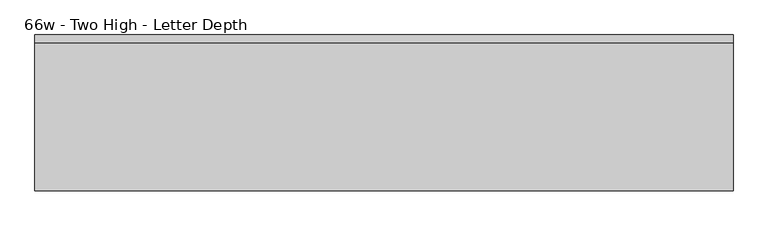
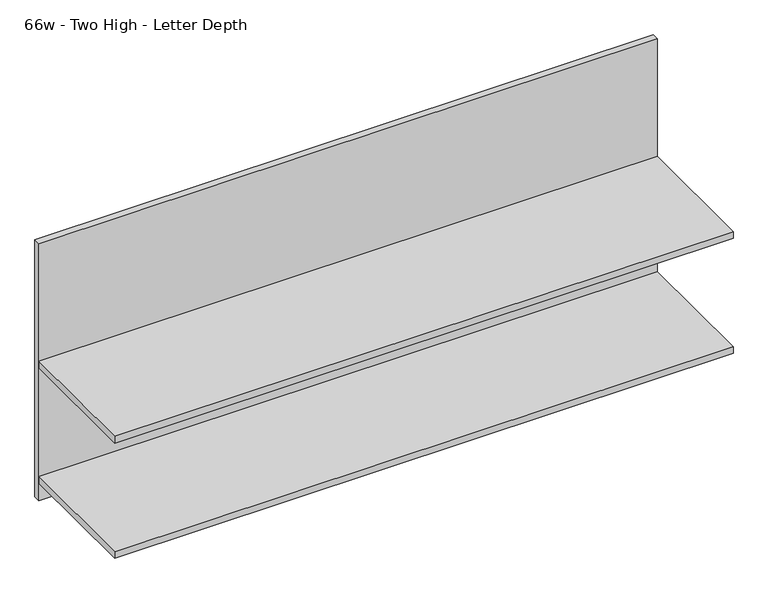
"""IFC4 building model written with IfcOpenShell, lengths in millimetres: furniture geometry, 66w - Two High - Letter Depth."""

from ifc_helpers import new_model, si_unit, frame, origin, place, context, project, spatial, polyline, outline, extrude, source, transform, mapped, element, save


def furniture_66w_two_high_letter_depth_1f10a674(model_context):
    return source(origin(), model_context, "Body", "SweptSolid", [
        extrude(outline(polyline([(-835.7597098, -386.0843594), (-835.7597098, -30.4843594), (840.6402902, -30.4843594), (840.6402902, -386.0843594), (-835.7597098, -386.0843594)])), frame((0.0, 0.0, 1143.0), z_axis=(0.0, 0.0, 1.0), x_axis=(1.0, 0.0, 0.0)), (0.0, 0.0, 1.0), 19.05),
        extrude(outline(polyline([(840.6402902, -30.4843594), (-835.7597098, -30.4843594), (-835.7597098, -11.4343594), (840.6402902, -11.4343594), (840.6402902, -30.4843594)])), frame((0.0, 0.0, 762.0), z_axis=(0.0, 0.0, 1.0), x_axis=(1.0, 0.0, 0.0)), (0.0, 0.0, 1.0), 736.6),
        extrude(outline(polyline([(-835.7597098, -386.0843594), (-835.7597098, -30.4843594), (840.6402902, -30.4843594), (840.6402902, -386.0843594), (-835.7597098, -386.0843594)])), frame((0.0, 0.0, 812.8), z_axis=(0.0, 0.0, 1.0), x_axis=(1.0, 0.0, 0.0)), (0.0, 0.0, 1.0), 19.05),
    ])


if __name__ == "__main__":
    model = new_model("IFC4")
    model_context = context("Model", 3, world=origin())
    ifc_project = project(units=[si_unit("LENGTHUNIT", "METRE", prefix="MILLI")], contexts=[model_context])
    site = spatial("IfcSite", under=ifc_project)
    building = spatial("IfcBuilding", under=site)
    placement = place(None, origin())
    furniture_66w_two_high_letter_depth_shape = furniture_66w_two_high_letter_depth_1f10a674(model_context)
    element("IfcFurniture", 1, ObjectType="66w - Two High - Letter Depth", at=placement, inside=building, context=model_context, shape_type="MappedRepresentation", body=[
        mapped(furniture_66w_two_high_letter_depth_shape, transform((0.0, 0.0, 0.0), x_axis=(1.0, 0.0, 0.0), y_axis=(0.0, 1.0, 0.0), z_axis=(0.0, 0.0, 1.0))),
    ])
    save(model, "model.ifc")
